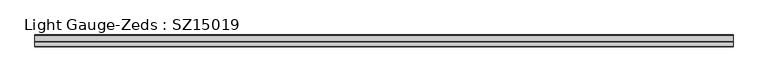
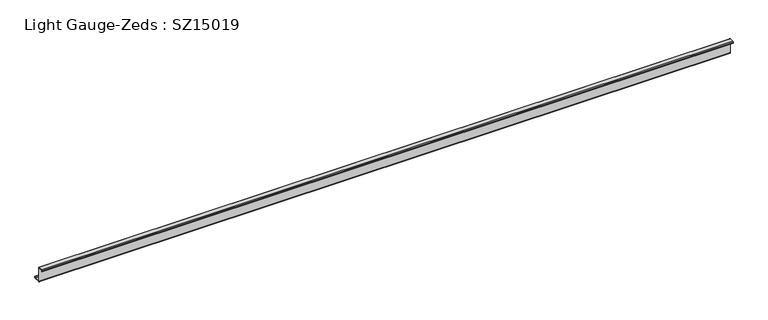
"""IFC4 building model written with IfcOpenShell, lengths in millimetres: beam geometry, Light Gauge-Zeds : SZ15019."""

from ifc_helpers import new_model, si_unit, point, frame, frame_2d, origin, place, context, project, spatial, polyline, circle_curve, trimmed, segment, composite_curve, outline, extrude, source, transform, mapped, element, save


def light_gauge_zeds_sz15019_b221fa5a(model_context):
    return source(origin(), model_context, "Body", "SweptSolid", [
        extrude(outline(composite_curve([segment(polyline([(0.0, -72.1), (0.0, 72.1)]), True, "CONTINUOUS"), segment(trimmed(circle_curve(frame_2d((-2.0, 72.1)), 2.0), [point((0.0, 72.1))], [point((-2.0, 74.1))], True, "CARTESIAN"), True, "CONTINUOUS"), segment(polyline([(-2.0, 74.1), (-46.6, 74.1)]), True, "CONTINUOUS"), segment(trimmed(circle_curve(frame_2d((-46.6, 72.1)), 2.0), [point((-46.6, 74.1))], [point((-48.6, 72.1))], True, "CARTESIAN"), True, "CONTINUOUS"), segment(polyline([(-48.6, 72.1), (-48.6, 58.0), (-50.5, 58.0), (-50.5, 72.1)]), True, "CONTINUOUS"), segment(trimmed(circle_curve(frame_2d((-46.6, 72.1)), 3.9), [point((-50.5, 72.1))], [point((-46.6, 76.0))], False, "CARTESIAN"), True, "CONTINUOUS"), segment(polyline([(-46.6, 76.0), (-2.0, 76.0)]), True, "CONTINUOUS"), segment(trimmed(circle_curve(frame_2d((-2.0, 72.1)), 3.9), [point((-2.0, 76.0))], [point((1.9, 72.1))], False, "CARTESIAN"), True, "CONTINUOUS"), segment(polyline([(1.9, 72.1), (1.9, -72.1)]), True, "CONTINUOUS"), segment(trimmed(circle_curve(frame_2d((3.9, -72.1)), 2.0), [point((1.9, -72.1))], [point((3.9, -74.1))], True, "CARTESIAN"), True, "CONTINUOUS"), segment(polyline([(3.9, -74.1), (63.6, -74.1)]), True, "CONTINUOUS"), segment(trimmed(circle_curve(frame_2d((63.6, -72.1)), 2.0), [point((63.6, -74.1))], [point((65.6, -72.1))], True, "CARTESIAN"), True, "CONTINUOUS"), segment(polyline([(65.6, -72.1), (65.6, -57.0), (67.5, -57.0), (67.5, -72.1)]), True, "CONTINUOUS"), segment(trimmed(circle_curve(frame_2d((63.6, -72.1)), 3.9), [point((67.5, -72.1))], [point((63.6, -76.0))], False, "CARTESIAN"), True, "CONTINUOUS"), segment(polyline([(63.6, -76.0), (3.9, -76.0)]), True, "CONTINUOUS"), segment(trimmed(circle_curve(frame_2d((3.9, -72.1)), 3.9), [point((3.9, -76.0))], [point((0.0, -72.1))], False, "CARTESIAN"), True, "CONTINUOUS")], self_intersect=False)), frame((-3434.5, 0.0, 0.0), z_axis=(1.0, 0.0, 0.0), x_axis=(0.0, 1.0, 0.0)), (0.0, 0.0, 1.0), 6869.0),
    ])


if __name__ == "__main__":
    model = new_model("IFC4")
    model_context = context("Model", 3, world=origin())
    ifc_project = project(units=[si_unit("LENGTHUNIT", "METRE", prefix="MILLI")], contexts=[model_context])
    site = spatial("IfcSite", under=ifc_project)
    building = spatial("IfcBuilding", under=site)
    placement = place(None, origin())
    light_gauge_zeds_sz15019_shape = light_gauge_zeds_sz15019_b221fa5a(model_context)
    element("IfcBeam", 1, ObjectType="Light Gauge-Zeds : SZ15019", at=placement, inside=building, context=model_context, shape_type="MappedRepresentation", body=[
        mapped(light_gauge_zeds_sz15019_shape, transform((0.0, 0.0, 0.0), x_axis=(1.0, 0.0, 0.0), y_axis=(0.0, 1.0, 0.0), z_axis=(0.0, 0.0, 1.0))),
    ])
    save(model, "model.ifc")
